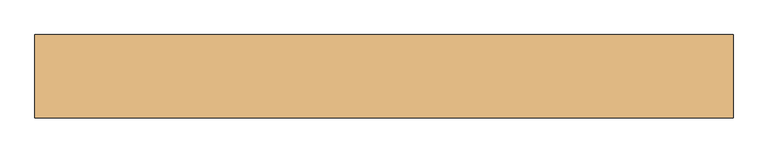
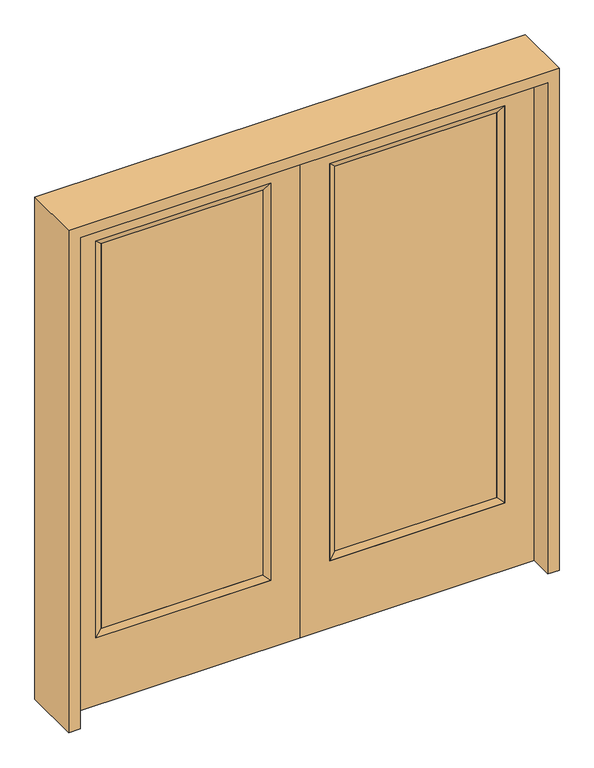
"""IFC4 building model written with IfcOpenShell, lengths in millimetres: door geometry."""

from ifc_helpers import new_model, si_unit, frame, origin, place, context, project, spatial, polyline, outline, extrude, faceted_brep, source, transform, mapped, element, save


def door_b9440a7b(model_context):
    return source(origin(), model_context, "Body", "SolidModel", [
        extrude(outline(polyline([(140.8176, -12.7039749), (140.8176, 14.2875), (773.5824, 14.2875), (773.5824, -12.7039749), (140.8176, -12.7039749)])), frame((0.0, 0.0, 304.8), z_axis=(0.0, 0.0, 1.0), x_axis=(1.0, 0.0, 0.0)), (0.0, 0.0, 1.0), 1591.1576),
        faceted_brep([(140.8176, 14.2875, 1895.9576), (140.8176, 14.2875, 304.8), (115.4176, 22.225, 279.4), (115.4176, 22.225, 1921.3576), (115.4176, -22.225, 279.4), (115.4176, -22.225, 1921.3576), (773.5824, 14.2875, 304.8), (798.9824, 22.225, 279.4), (140.8176, -12.7039749, 1895.9576), (140.8176, -12.7039749, 304.8), (773.5824, -12.7039749, 304.8), (798.9824, -22.225, 279.4), (773.5824, 14.2875, 1895.9576), (798.9824, 22.225, 1921.3576), (773.5824, -12.7039749, 1895.9576), (798.9824, -22.225, 1921.3576)], [[[0, 1, 2, 3]], [[3, 2, 4, 5]], [[1, 6, 7, 2]], [[8, 9, 1, 0]], [[9, 10, 6, 1]], [[5, 4, 9, 8]], [[4, 11, 10, 9]], [[2, 7, 11, 4]], [[6, 12, 13, 7]], [[10, 14, 12, 6]], [[11, 15, 14, 10]], [[7, 13, 15, 11]], [[12, 0, 3, 13]], [[14, 8, 0, 12]], [[15, 5, 8, 14]], [[13, 3, 5, 15]]]),
        extrude(outline(polyline([(0.0, 914.4), (2032.0, 914.4), (2032.0, 0.0), (0.0, 0.0), (0.0, 914.4)]), holes=[polyline([(279.4, 798.9824), (279.4, 115.4176), (1921.3576, 115.4176), (1921.3576, 798.9824), (279.4, 798.9824)])]), frame((0.0, -22.225, 0.0), z_axis=(0.0, 1.0, 0.0), x_axis=(0.0, 0.0, 1.0)), (0.0, 0.0, 1.0), 44.45),
        extrude(outline(polyline([(-140.8176, -12.7039749), (-773.5824, -12.7039749), (-773.5824, 14.2875), (-140.8176, 14.2875), (-140.8176, -12.7039749)])), frame((0.0, 0.0, 304.8), z_axis=(0.0, 0.0, 1.0), x_axis=(1.0, 0.0, 0.0)), (0.0, 0.0, 1.0), 1591.1576),
        faceted_brep([(-140.8176, 14.2875, 1895.9576), (-115.4176, 22.225, 1921.3576), (-115.4176, 22.225, 279.4), (-140.8176, 14.2875, 304.8), (-115.4176, -22.225, 1921.3576), (-115.4176, -22.225, 279.4), (-798.9824, 22.225, 279.4), (-773.5824, 14.2875, 304.8), (-140.8176, -12.7039749, 1895.9576), (-140.8176, -12.7039749, 304.8), (-773.5824, -12.7039749, 304.8), (-798.9824, -22.225, 279.4), (-798.9824, 22.225, 1921.3576), (-773.5824, 14.2875, 1895.9576), (-773.5824, -12.7039749, 1895.9576), (-798.9824, -22.225, 1921.3576)], [[[0, 1, 2, 3]], [[1, 4, 5, 2]], [[3, 2, 6, 7]], [[8, 0, 3, 9]], [[9, 3, 7, 10]], [[4, 8, 9, 5]], [[5, 9, 10, 11]], [[2, 5, 11, 6]], [[7, 6, 12, 13]], [[10, 7, 13, 14]], [[11, 10, 14, 15]], [[6, 11, 15, 12]], [[13, 12, 1, 0]], [[14, 13, 0, 8]], [[15, 14, 8, 4]], [[12, 15, 4, 1]]]),
        extrude(outline(polyline([(0.0, -914.4), (0.0, 0.0), (2032.0, 0.0), (2032.0, -914.4), (0.0, -914.4)]), holes=[polyline([(279.4, -798.9824), (1921.3576, -798.9824), (1921.3576, -115.4176), (279.4, -115.4176), (279.4, -798.9824)])]), frame((0.0, -22.225, 0.0), z_axis=(0.0, 1.0, 0.0), x_axis=(0.0, 0.0, 1.0)), (0.0, 0.0, 1.0), 44.45),
        extrude(outline(polyline([(0.0, -958.85), (0.0, -914.4), (2032.0, -914.4), (2032.0, 914.4), (0.0, 914.4), (0.0, 958.85), (2076.45, 958.85), (2076.45, -958.85), (0.0, -958.85)])), frame((0.0, -114.3, 0.0), z_axis=(0.0, 1.0, 0.0), x_axis=(0.0, 0.0, 1.0)), (0.0, 0.0, 1.0), 228.6),
    ])


if __name__ == "__main__":
    model = new_model("IFC4")
    model_context = context("Model", 3, world=origin())
    ifc_project = project(units=[si_unit("LENGTHUNIT", "METRE", prefix="MILLI")], contexts=[model_context])
    site = spatial("IfcSite", under=ifc_project)
    building = spatial("IfcBuilding", under=site)
    placement = place(None, origin())
    door_shape = door_b9440a7b(model_context)
    element("IfcDoor", 1, at=placement, inside=building, context=model_context, shape_type="MappedRepresentation", body=[
        mapped(door_shape, transform((0.0, 0.0, 0.0), x_axis=(1.0, 0.0, 0.0), y_axis=(0.0, 1.0, 0.0), z_axis=(0.0, 0.0, 1.0))),
    ])
    save(model, "model.ifc")
